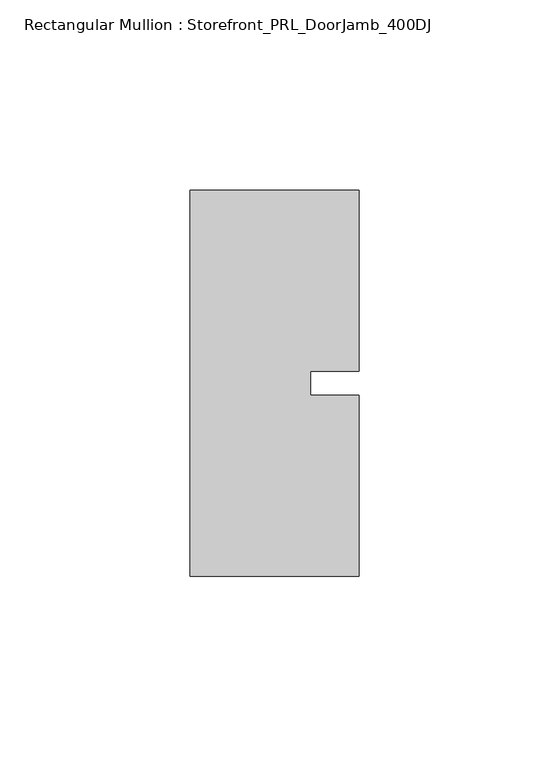
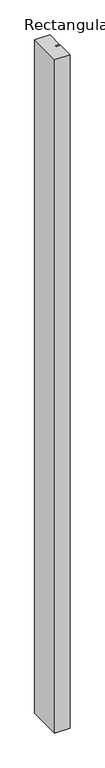
"""IFC4 building model written with IfcOpenShell, lengths in millimetres: member geometry, Rectangular Mullion : Storefront_PRL_DoorJamb_400DJ."""

from ifc_helpers import new_model, si_unit, frame, origin, place, context, project, spatial, polyline, outline, extrude, source, transform, mapped, element, save


def rectangular_mullion_storefront_prl_doorjamb_400dj_07aa31e8(model_context):
    return source(origin(), model_context, "Body", "SweptSolid", [
        extrude(outline(polyline([(9.525, -3.175), (22.225, -3.175), (22.225, -50.8), (-22.225, -50.8), (-22.225, 50.8), (22.225, 50.8), (22.225, 3.175), (9.525, 3.175), (9.525, -3.175)])), frame((0.0, 0.0, -2082.8), z_axis=(0.0, 0.0, 1.0), x_axis=(1.0, 0.0, 0.0)), (0.0, 0.0, 1.0), 2082.8),
    ])


if __name__ == "__main__":
    model = new_model("IFC4")
    model_context = context("Model", 3, world=origin())
    ifc_project = project(units=[si_unit("LENGTHUNIT", "METRE", prefix="MILLI")], contexts=[model_context])
    site = spatial("IfcSite", under=ifc_project)
    building = spatial("IfcBuilding", under=site)
    placement = place(None, origin())
    rectangular_mullion_storefront_prl_doorjamb_400dj_shape = rectangular_mullion_storefront_prl_doorjamb_400dj_07aa31e8(model_context)
    element("IfcMember", 1, ObjectType="Rectangular Mullion : Storefront_PRL_DoorJamb_400DJ", at=placement, inside=building, context=model_context, shape_type="MappedRepresentation", body=[
        mapped(rectangular_mullion_storefront_prl_doorjamb_400dj_shape, transform((0.0, 0.0, 0.0), x_axis=(1.0, 0.0, 0.0), y_axis=(0.0, 1.0, 0.0), z_axis=(0.0, 0.0, 1.0))),
    ])
    save(model, "model.ifc")
